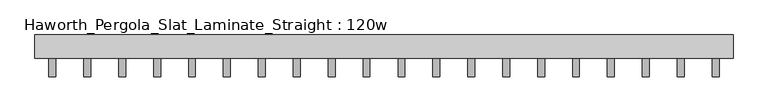
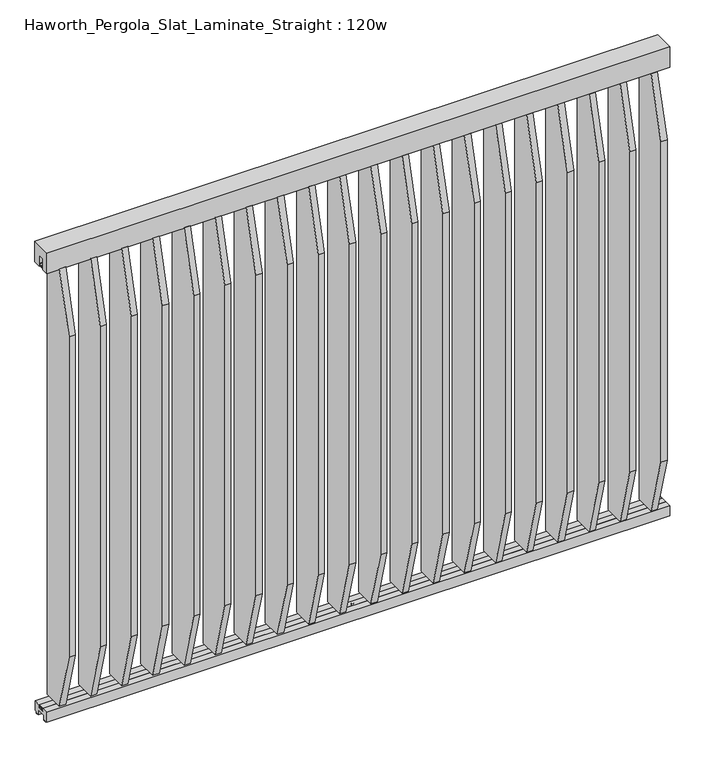
"""IFC4 building model written with IfcOpenShell, lengths in millimetres: furniture geometry, Haworth_Pergola_Slat_Laminate_Straight : 120w."""

from ifc_helpers import new_model, si_unit, point, frame, frame_2d, origin, place, context, project, spatial, polyline, circle_curve, trimmed, segment, composite_curve, outline, extrude, source, transform, mapped, element, save


def haworth_pergola_slat_laminate_straight_120w_fa1b09b0(model_context):
    return source(origin(), model_context, "Body", "SweptSolid", [
        extrude(outline(polyline([(-50.8, 2438.4), (50.8, 2438.4), (50.8, 2331.8390625), (15.2182948, 2331.8390625), (15.2182948, 2388.7001663), (-15.2182948, 2388.7001663), (-15.2182948, 2331.8390625), (-50.8, 2331.8390625), (-50.8, 2438.4)])), frame((-1485.9, 0.0, 0.0), z_axis=(1.0, 0.0, 0.0), x_axis=(0.0, 1.0, 0.0)), (0.0, 0.0, 1.0), 3048.0),
        extrude(outline(polyline([(-132.3000005, 2029.2110459), (-50.7895063, 2332.1001645), (50.8000016, 2332.1001645), (50.8000016, 68.7220395), (-50.7894893, 68.7220395), (-132.3000005, 371.6110975), (-132.3000005, 2029.2110459)])), frame((1318.5000003, 0.0, 0.0), z_axis=(1.0, 0.0, 0.0), x_axis=(0.0, 1.0, 0.0)), (0.0, 0.0, 1.0), 29.9999997),
        extrude(outline(composite_curve([segment(trimmed(circle_curve(frame_2d((1333.5000001, 1e-07)), 6.0), [point((1327.5000001, 1e-07))], [point((1339.5000001, 1e-07))], False, "CARTESIAN"), True, "CONTINUOUS"), segment(trimmed(circle_curve(frame_2d((1333.5000001, 1e-07)), 6.0), [point((1339.5000001, 1e-07))], [point((1327.5000001, 1e-07))], False, "CARTESIAN"), True, "CONTINUOUS")], self_intersect=False)), frame((0.0, 0.0, 2332.1001645), z_axis=(0.0, 0.0, 1.0), x_axis=(1.0, 0.0, 0.0)), (0.0, 0.0, 1.0), 4.9609375),
        extrude(outline(composite_curve([segment(trimmed(circle_curve(frame_2d((1333.5000001, 1e-07)), 6.0), [point((1327.5000001, 1e-07))], [point((1339.5000001, 1e-07))], False, "CARTESIAN"), True, "CONTINUOUS"), segment(trimmed(circle_curve(frame_2d((1333.5000001, 1e-07)), 6.0), [point((1339.5000001, 1e-07))], [point((1327.5000001, 1e-07))], False, "CARTESIAN"), True, "CONTINUOUS")], self_intersect=False)), frame((0.0, 0.0, 63.761102), z_axis=(0.0, 0.0, 1.0), x_axis=(1.0, 0.0, 0.0)), (0.0, 0.0, 1.0), 4.9609375),
        extrude(outline(polyline([(-132.3000005, 2029.4721479), (-50.7895063, 2332.3612664), (50.8000016, 2332.3612664), (50.8000016, 68.9831414), (-50.7894893, 68.9831414), (-132.3000005, 371.8721995), (-132.3000005, 2029.4721479)])), frame((1166.1000003, 0.0, 0.0), z_axis=(1.0, 0.0, 0.0), x_axis=(0.0, 1.0, 0.0)), (0.0, 0.0, 1.0), 29.9999997),
        extrude(outline(composite_curve([segment(trimmed(circle_curve(frame_2d((1181.1000001, 1e-07)), 6.0), [point((1175.1000001, 1e-07))], [point((1187.1000001, 1e-07))], False, "CARTESIAN"), True, "CONTINUOUS"), segment(trimmed(circle_curve(frame_2d((1181.1000001, 1e-07)), 6.0), [point((1187.1000001, 1e-07))], [point((1175.1000001, 1e-07))], False, "CARTESIAN"), True, "CONTINUOUS")], self_intersect=False)), frame((0.0, 0.0, 2332.3612664), z_axis=(0.0, 0.0, 1.0), x_axis=(1.0, 0.0, 0.0)), (0.0, 0.0, 1.0), 4.9609375),
        extrude(outline(composite_curve([segment(trimmed(circle_curve(frame_2d((1181.1000001, 1e-07)), 6.0), [point((1175.1000001, 1e-07))], [point((1187.1000001, 1e-07))], False, "CARTESIAN"), True, "CONTINUOUS"), segment(trimmed(circle_curve(frame_2d((1181.1000001, 1e-07)), 6.0), [point((1187.1000001, 1e-07))], [point((1175.1000001, 1e-07))], False, "CARTESIAN"), True, "CONTINUOUS")], self_intersect=False)), frame((0.0, 0.0, 64.0222039), z_axis=(0.0, 0.0, 1.0), x_axis=(1.0, 0.0, 0.0)), (0.0, 0.0, 1.0), 4.9609375),
        extrude(outline(polyline([(-132.3000005, 2029.7332498), (-50.7895063, 2332.6223684), (50.8000016, 2332.6223684), (50.8000016, 69.2442434), (-50.7894893, 69.2442434), (-132.3000005, 372.1333014), (-132.3000005, 2029.7332498)])), frame((1013.7000003, 0.0, 0.0), z_axis=(1.0, 0.0, 0.0), x_axis=(0.0, 1.0, 0.0)), (0.0, 0.0, 1.0), 29.9999997),
        extrude(outline(composite_curve([segment(trimmed(circle_curve(frame_2d((1028.7000001, 1e-07)), 6.0), [point((1022.7000001, 1e-07))], [point((1034.7000001, 1e-07))], False, "CARTESIAN"), True, "CONTINUOUS"), segment(trimmed(circle_curve(frame_2d((1028.7000001, 1e-07)), 6.0), [point((1034.7000001, 1e-07))], [point((1022.7000001, 1e-07))], False, "CARTESIAN"), True, "CONTINUOUS")], self_intersect=False)), frame((0.0, 0.0, 2332.6223684), z_axis=(0.0, 0.0, 1.0), x_axis=(1.0, 0.0, 0.0)), (0.0, 0.0, 1.0), 4.9609375),
        extrude(outline(composite_curve([segment(trimmed(circle_curve(frame_2d((1028.7000001, 1e-07)), 6.0), [point((1022.7000001, 1e-07))], [point((1034.7000001, 1e-07))], False, "CARTESIAN"), True, "CONTINUOUS"), segment(trimmed(circle_curve(frame_2d((1028.7000001, 1e-07)), 6.0), [point((1034.7000001, 1e-07))], [point((1022.7000001, 1e-07))], False, "CARTESIAN"), True, "CONTINUOUS")], self_intersect=False)), frame((0.0, 0.0, 64.2833059), z_axis=(0.0, 0.0, 1.0), x_axis=(1.0, 0.0, 0.0)), (0.0, 0.0, 1.0), 4.9609375),
        extrude(outline(polyline([(-132.3000005, 2029.9943518), (-50.7895063, 2332.8834704), (50.8000016, 2332.8834704), (50.8000016, 69.5053454), (-50.7894893, 69.5053454), (-132.3000005, 372.3944034), (-132.3000005, 2029.9943518)])), frame((861.3000003, 0.0, 0.0), z_axis=(1.0, 0.0, 0.0), x_axis=(0.0, 1.0, 0.0)), (0.0, 0.0, 1.0), 29.9999997),
        extrude(outline(composite_curve([segment(trimmed(circle_curve(frame_2d((876.3000001, 1e-07)), 6.0), [point((870.3000001, 1e-07))], [point((882.3000001, 1e-07))], False, "CARTESIAN"), True, "CONTINUOUS"), segment(trimmed(circle_curve(frame_2d((876.3000001, 1e-07)), 6.0), [point((882.3000001, 1e-07))], [point((870.3000001, 1e-07))], False, "CARTESIAN"), True, "CONTINUOUS")], self_intersect=False)), frame((0.0, 0.0, 2332.8834704), z_axis=(0.0, 0.0, 1.0), x_axis=(1.0, 0.0, 0.0)), (0.0, 0.0, 1.0), 4.9609375),
        extrude(outline(composite_curve([segment(trimmed(circle_curve(frame_2d((876.3000001, 1e-07)), 6.0), [point((870.3000001, 1e-07))], [point((882.3000001, 1e-07))], False, "CARTESIAN"), True, "CONTINUOUS"), segment(trimmed(circle_curve(frame_2d((876.3000001, 1e-07)), 6.0), [point((882.3000001, 1e-07))], [point((870.3000001, 1e-07))], False, "CARTESIAN"), True, "CONTINUOUS")], self_intersect=False)), frame((0.0, 0.0, 64.5444079), z_axis=(0.0, 0.0, 1.0), x_axis=(1.0, 0.0, 0.0)), (0.0, 0.0, 1.0), 4.9609375),
        extrude(outline(polyline([(-132.3000005, 2030.2554538), (-50.7895063, 2333.1445724), (50.8000016, 2333.1445724), (50.8000016, 69.7664474), (-50.7894893, 69.7664474), (-132.3000005, 372.6555054), (-132.3000005, 2030.2554538)])), frame((708.9000003, 0.0, 0.0), z_axis=(1.0, 0.0, 0.0), x_axis=(0.0, 1.0, 0.0)), (0.0, 0.0, 1.0), 29.9999997),
        extrude(outline(composite_curve([segment(trimmed(circle_curve(frame_2d((723.9000001, 1e-07)), 6.0), [point((717.9000001, 1e-07))], [point((729.9000001, 1e-07))], False, "CARTESIAN"), True, "CONTINUOUS"), segment(trimmed(circle_curve(frame_2d((723.9000001, 1e-07)), 6.0), [point((729.9000001, 1e-07))], [point((717.9000001, 1e-07))], False, "CARTESIAN"), True, "CONTINUOUS")], self_intersect=False)), frame((0.0, 0.0, 2333.1445724), z_axis=(0.0, 0.0, 1.0), x_axis=(1.0, 0.0, 0.0)), (0.0, 0.0, 1.0), 4.9609375),
        extrude(outline(composite_curve([segment(trimmed(circle_curve(frame_2d((723.9000001, 1e-07)), 6.0), [point((717.9000001, 1e-07))], [point((729.9000001, 1e-07))], False, "CARTESIAN"), True, "CONTINUOUS"), segment(trimmed(circle_curve(frame_2d((723.9000001, 1e-07)), 6.0), [point((729.9000001, 1e-07))], [point((717.9000001, 1e-07))], False, "CARTESIAN"), True, "CONTINUOUS")], self_intersect=False)), frame((0.0, 0.0, 64.8055099), z_axis=(0.0, 0.0, 1.0), x_axis=(1.0, 0.0, 0.0)), (0.0, 0.0, 1.0), 4.9609375),
        extrude(outline(polyline([(-132.3000005, 2030.5165558), (-50.7895063, 2333.4056743), (50.8000016, 2333.4056743), (50.8000016, 70.0275493), (-50.7894893, 70.0275493), (-132.3000005, 372.9166074), (-132.3000005, 2030.5165558)])), frame((556.5000003, 0.0, 0.0), z_axis=(1.0, 0.0, 0.0), x_axis=(0.0, 1.0, 0.0)), (0.0, 0.0, 1.0), 29.9999997),
        extrude(outline(composite_curve([segment(trimmed(circle_curve(frame_2d((571.5000001, 1e-07)), 6.0), [point((565.5000001, 1e-07))], [point((577.5000001, 1e-07))], False, "CARTESIAN"), True, "CONTINUOUS"), segment(trimmed(circle_curve(frame_2d((571.5000001, 1e-07)), 6.0), [point((577.5000001, 1e-07))], [point((565.5000001, 1e-07))], False, "CARTESIAN"), True, "CONTINUOUS")], self_intersect=False)), frame((0.0, 0.0, 2333.4056743), z_axis=(0.0, 0.0, 1.0), x_axis=(1.0, 0.0, 0.0)), (0.0, 0.0, 1.0), 4.9609375),
        extrude(outline(composite_curve([segment(trimmed(circle_curve(frame_2d((571.5000001, 1e-07)), 6.0), [point((565.5000001, 1e-07))], [point((577.5000001, 1e-07))], False, "CARTESIAN"), True, "CONTINUOUS"), segment(trimmed(circle_curve(frame_2d((571.5000001, 1e-07)), 6.0), [point((577.5000001, 1e-07))], [point((565.5000001, 1e-07))], False, "CARTESIAN"), True, "CONTINUOUS")], self_intersect=False)), frame((0.0, 0.0, 65.0666118), z_axis=(0.0, 0.0, 1.0), x_axis=(1.0, 0.0, 0.0)), (0.0, 0.0, 1.0), 4.9609375),
        extrude(outline(polyline([(-132.3000005, 2030.7776577), (-50.7895063, 2333.6667763), (50.8000016, 2333.6667763), (50.8000016, 70.2886513), (-50.7894893, 70.2886513), (-132.3000005, 373.1777093), (-132.3000005, 2030.7776577)])), frame((404.1000003, 0.0, 0.0), z_axis=(1.0, 0.0, 0.0), x_axis=(0.0, 1.0, 0.0)), (0.0, 0.0, 1.0), 29.9999997),
        extrude(outline(composite_curve([segment(trimmed(circle_curve(frame_2d((419.1000001, 1e-07)), 6.0), [point((413.1000001, 1e-07))], [point((425.1000001, 1e-07))], False, "CARTESIAN"), True, "CONTINUOUS"), segment(trimmed(circle_curve(frame_2d((419.1000001, 1e-07)), 6.0), [point((425.1000001, 1e-07))], [point((413.1000001, 1e-07))], False, "CARTESIAN"), True, "CONTINUOUS")], self_intersect=False)), frame((0.0, 0.0, 2333.6667763), z_axis=(0.0, 0.0, 1.0), x_axis=(1.0, 0.0, 0.0)), (0.0, 0.0, 1.0), 4.9609375),
        extrude(outline(composite_curve([segment(trimmed(circle_curve(frame_2d((419.1000001, 1e-07)), 6.0), [point((413.1000001, 1e-07))], [point((425.1000001, 1e-07))], False, "CARTESIAN"), True, "CONTINUOUS"), segment(trimmed(circle_curve(frame_2d((419.1000001, 1e-07)), 6.0), [point((425.1000001, 1e-07))], [point((413.1000001, 1e-07))], False, "CARTESIAN"), True, "CONTINUOUS")], self_intersect=False)), frame((0.0, 0.0, 65.3277138), z_axis=(0.0, 0.0, 1.0), x_axis=(1.0, 0.0, 0.0)), (0.0, 0.0, 1.0), 4.9609375),
        extrude(outline(polyline([(-132.3000005, 2031.0387597), (-50.7895063, 2333.9278783), (50.8000016, 2333.9278783), (50.8000016, 70.5497533), (-50.7894893, 70.5497533), (-132.3000005, 373.4388113), (-132.3000005, 2031.0387597)])), frame((251.7000003, 0.0, 0.0), z_axis=(1.0, 0.0, 0.0), x_axis=(0.0, 1.0, 0.0)), (0.0, 0.0, 1.0), 29.9999997),
        extrude(outline(composite_curve([segment(trimmed(circle_curve(frame_2d((266.7000001, 1e-07)), 6.0), [point((260.7000001, 1e-07))], [point((272.7000001, 1e-07))], False, "CARTESIAN"), True, "CONTINUOUS"), segment(trimmed(circle_curve(frame_2d((266.7000001, 1e-07)), 6.0), [point((272.7000001, 1e-07))], [point((260.7000001, 1e-07))], False, "CARTESIAN"), True, "CONTINUOUS")], self_intersect=False)), frame((0.0, 0.0, 2333.9278783), z_axis=(0.0, 0.0, 1.0), x_axis=(1.0, 0.0, 0.0)), (0.0, 0.0, 1.0), 4.9609375),
        extrude(outline(composite_curve([segment(trimmed(circle_curve(frame_2d((266.7000001, 1e-07)), 6.0), [point((260.7000001, 1e-07))], [point((272.7000001, 1e-07))], False, "CARTESIAN"), True, "CONTINUOUS"), segment(trimmed(circle_curve(frame_2d((266.7000001, 1e-07)), 6.0), [point((272.7000001, 1e-07))], [point((260.7000001, 1e-07))], False, "CARTESIAN"), True, "CONTINUOUS")], self_intersect=False)), frame((0.0, 0.0, 65.5888158), z_axis=(0.0, 0.0, 1.0), x_axis=(1.0, 0.0, 0.0)), (0.0, 0.0, 1.0), 4.9609375),
        extrude(outline(polyline([(-132.3000005, 2031.2998617), (-50.7895063, 2334.1889803), (50.8000016, 2334.1889803), (50.8000016, 70.8108553), (-50.7894893, 70.8108553), (-132.3000005, 373.6999133), (-132.3000005, 2031.2998617)])), frame((99.3000003, 0.0, 0.0), z_axis=(1.0, 0.0, 0.0), x_axis=(0.0, 1.0, 0.0)), (0.0, 0.0, 1.0), 29.9999997),
        extrude(outline(composite_curve([segment(trimmed(circle_curve(frame_2d((114.3000001, 1e-07)), 6.0), [point((108.3000001, 1e-07))], [point((120.3000001, 1e-07))], False, "CARTESIAN"), True, "CONTINUOUS"), segment(trimmed(circle_curve(frame_2d((114.3000001, 1e-07)), 6.0), [point((120.3000001, 1e-07))], [point((108.3000001, 1e-07))], False, "CARTESIAN"), True, "CONTINUOUS")], self_intersect=False)), frame((0.0, 0.0, 2334.1889803), z_axis=(0.0, 0.0, 1.0), x_axis=(1.0, 0.0, 0.0)), (0.0, 0.0, 1.0), 4.9609375),
        extrude(outline(composite_curve([segment(trimmed(circle_curve(frame_2d((114.3000001, 1e-07)), 6.0), [point((108.3000001, 1e-07))], [point((120.3000001, 1e-07))], False, "CARTESIAN"), True, "CONTINUOUS"), segment(trimmed(circle_curve(frame_2d((114.3000001, 1e-07)), 6.0), [point((120.3000001, 1e-07))], [point((108.3000001, 1e-07))], False, "CARTESIAN"), True, "CONTINUOUS")], self_intersect=False)), frame((0.0, 0.0, 65.8499178), z_axis=(0.0, 0.0, 1.0), x_axis=(1.0, 0.0, 0.0)), (0.0, 0.0, 1.0), 4.9609375),
        extrude(outline(polyline([(-132.3000005, 2031.5609637), (-50.7895063, 2334.4500822), (50.8000016, 2334.4500822), (50.8000016, 71.0719572), (-50.7894893, 71.0719572), (-132.3000005, 373.9610153), (-132.3000005, 2031.5609637)])), frame((-53.0999997, 0.0, 0.0), z_axis=(1.0, 0.0, 0.0), x_axis=(0.0, 1.0, 0.0)), (0.0, 0.0, 1.0), 29.9999997),
        extrude(outline(composite_curve([segment(trimmed(circle_curve(frame_2d((-38.0999999, 1e-07)), 6.0), [point((-44.0999999, 1e-07))], [point((-32.0999999, 1e-07))], False, "CARTESIAN"), True, "CONTINUOUS"), segment(trimmed(circle_curve(frame_2d((-38.0999999, 1e-07)), 6.0), [point((-32.0999999, 1e-07))], [point((-44.0999999, 1e-07))], False, "CARTESIAN"), True, "CONTINUOUS")], self_intersect=False)), frame((0.0, 0.0, 2334.4500822), z_axis=(0.0, 0.0, 1.0), x_axis=(1.0, 0.0, 0.0)), (0.0, 0.0, 1.0), 4.9609375),
        extrude(outline(composite_curve([segment(trimmed(circle_curve(frame_2d((-38.0999999, 1e-07)), 6.0), [point((-44.0999999, 1e-07))], [point((-32.0999999, 1e-07))], False, "CARTESIAN"), True, "CONTINUOUS"), segment(trimmed(circle_curve(frame_2d((-38.0999999, 1e-07)), 6.0), [point((-32.0999999, 1e-07))], [point((-44.0999999, 1e-07))], False, "CARTESIAN"), True, "CONTINUOUS")], self_intersect=False)), frame((0.0, 0.0, 66.1110197), z_axis=(0.0, 0.0, 1.0), x_axis=(1.0, 0.0, 0.0)), (0.0, 0.0, 1.0), 4.9609375),
        extrude(outline(polyline([(-132.3000005, 2031.8220656), (-50.7895063, 2334.7111842), (50.8000016, 2334.7111842), (50.8000016, 71.3330592), (-50.7894893, 71.3330592), (-132.3000005, 374.2221172), (-132.3000005, 2031.8220656)])), frame((-205.4999997, 0.0, 0.0), z_axis=(1.0, 0.0, 0.0), x_axis=(0.0, 1.0, 0.0)), (0.0, 0.0, 1.0), 29.9999997),
        extrude(outline(composite_curve([segment(trimmed(circle_curve(frame_2d((-190.4999999, 1e-07)), 6.0), [point((-196.4999999, 1e-07))], [point((-184.4999999, 1e-07))], False, "CARTESIAN"), True, "CONTINUOUS"), segment(trimmed(circle_curve(frame_2d((-190.4999999, 1e-07)), 6.0), [point((-184.4999999, 1e-07))], [point((-196.4999999, 1e-07))], False, "CARTESIAN"), True, "CONTINUOUS")], self_intersect=False)), frame((0.0, 0.0, 2334.7111842), z_axis=(0.0, 0.0, 1.0), x_axis=(1.0, 0.0, 0.0)), (0.0, 0.0, 1.0), 4.9609375),
        extrude(outline(composite_curve([segment(trimmed(circle_curve(frame_2d((-190.4999999, 1e-07)), 6.0), [point((-196.4999999, 1e-07))], [point((-184.4999999, 1e-07))], False, "CARTESIAN"), True, "CONTINUOUS"), segment(trimmed(circle_curve(frame_2d((-190.4999999, 1e-07)), 6.0), [point((-184.4999999, 1e-07))], [point((-196.4999999, 1e-07))], False, "CARTESIAN"), True, "CONTINUOUS")], self_intersect=False)), frame((0.0, 0.0, 66.3721217), z_axis=(0.0, 0.0, 1.0), x_axis=(1.0, 0.0, 0.0)), (0.0, 0.0, 1.0), 4.9609375),
        extrude(outline(polyline([(-132.3000005, 2032.0831676), (-50.7895063, 2334.9722862), (50.8000016, 2334.9722862), (50.8000016, 71.5941612), (-50.7894893, 71.5941612), (-132.3000005, 374.4832192), (-132.3000005, 2032.0831676)])), frame((-357.8999997, 0.0, 0.0), z_axis=(1.0, 0.0, 0.0), x_axis=(0.0, 1.0, 0.0)), (0.0, 0.0, 1.0), 29.9999997),
        extrude(outline(composite_curve([segment(trimmed(circle_curve(frame_2d((-342.8999999, 1e-07)), 6.0), [point((-348.8999999, 1e-07))], [point((-336.8999999, 1e-07))], False, "CARTESIAN"), True, "CONTINUOUS"), segment(trimmed(circle_curve(frame_2d((-342.8999999, 1e-07)), 6.0), [point((-336.8999999, 1e-07))], [point((-348.8999999, 1e-07))], False, "CARTESIAN"), True, "CONTINUOUS")], self_intersect=False)), frame((0.0, 0.0, 2334.9722862), z_axis=(0.0, 0.0, 1.0), x_axis=(1.0, 0.0, 0.0)), (0.0, 0.0, 1.0), 4.9609375),
        extrude(outline(composite_curve([segment(trimmed(circle_curve(frame_2d((-342.8999999, 1e-07)), 6.0), [point((-348.8999999, 1e-07))], [point((-336.8999999, 1e-07))], False, "CARTESIAN"), True, "CONTINUOUS"), segment(trimmed(circle_curve(frame_2d((-342.8999999, 1e-07)), 6.0), [point((-336.8999999, 1e-07))], [point((-348.8999999, 1e-07))], False, "CARTESIAN"), True, "CONTINUOUS")], self_intersect=False)), frame((0.0, 0.0, 66.6332237), z_axis=(0.0, 0.0, 1.0), x_axis=(1.0, 0.0, 0.0)), (0.0, 0.0, 1.0), 4.9609375),
        extrude(outline(polyline([(-132.3000005, 2032.3442696), (-50.7895063, 2335.2333882), (50.8000016, 2335.2333882), (50.8000016, 71.8552632), (-50.7894893, 71.8552632), (-132.3000005, 374.7443212), (-132.3000005, 2032.3442696)])), frame((-510.2999997, 0.0, 0.0), z_axis=(1.0, 0.0, 0.0), x_axis=(0.0, 1.0, 0.0)), (0.0, 0.0, 1.0), 29.9999997),
        extrude(outline(composite_curve([segment(trimmed(circle_curve(frame_2d((-495.2999999, 1e-07)), 6.0), [point((-501.2999999, 1e-07))], [point((-489.2999999, 1e-07))], False, "CARTESIAN"), True, "CONTINUOUS"), segment(trimmed(circle_curve(frame_2d((-495.2999999, 1e-07)), 6.0), [point((-489.2999999, 1e-07))], [point((-501.2999999, 1e-07))], False, "CARTESIAN"), True, "CONTINUOUS")], self_intersect=False)), frame((0.0, 0.0, 2335.2333882), z_axis=(0.0, 0.0, 1.0), x_axis=(1.0, 0.0, 0.0)), (0.0, 0.0, 1.0), 4.9609375),
        extrude(outline(composite_curve([segment(trimmed(circle_curve(frame_2d((-495.2999999, 1e-07)), 6.0), [point((-501.2999999, 1e-07))], [point((-489.2999999, 1e-07))], False, "CARTESIAN"), True, "CONTINUOUS"), segment(trimmed(circle_curve(frame_2d((-495.2999999, 1e-07)), 6.0), [point((-489.2999999, 1e-07))], [point((-501.2999999, 1e-07))], False, "CARTESIAN"), True, "CONTINUOUS")], self_intersect=False)), frame((0.0, 0.0, 66.8943257), z_axis=(0.0, 0.0, 1.0), x_axis=(1.0, 0.0, 0.0)), (0.0, 0.0, 1.0), 4.9609375),
        extrude(outline(polyline([(-132.3000005, 2032.6053716), (-50.7895063, 2335.4944901), (50.8000016, 2335.4944901), (50.8000016, 72.1163651), (-50.7894893, 72.1163651), (-132.3000005, 375.0054231), (-132.3000005, 2032.6053716)])), frame((-662.6999997, 0.0, 0.0), z_axis=(1.0, 0.0, 0.0), x_axis=(0.0, 1.0, 0.0)), (0.0, 0.0, 1.0), 29.9999997),
        extrude(outline(composite_curve([segment(trimmed(circle_curve(frame_2d((-647.6999999, 1e-07)), 6.0), [point((-653.6999999, 1e-07))], [point((-641.6999999, 1e-07))], False, "CARTESIAN"), True, "CONTINUOUS"), segment(trimmed(circle_curve(frame_2d((-647.6999999, 1e-07)), 6.0), [point((-641.6999999, 1e-07))], [point((-653.6999999, 1e-07))], False, "CARTESIAN"), True, "CONTINUOUS")], self_intersect=False)), frame((0.0, 0.0, 2335.4944901), z_axis=(0.0, 0.0, 1.0), x_axis=(1.0, 0.0, 0.0)), (0.0, 0.0, 1.0), 4.9609375),
        extrude(outline(composite_curve([segment(trimmed(circle_curve(frame_2d((-647.6999999, 1e-07)), 6.0), [point((-653.6999999, 1e-07))], [point((-641.6999999, 1e-07))], False, "CARTESIAN"), True, "CONTINUOUS"), segment(trimmed(circle_curve(frame_2d((-647.6999999, 1e-07)), 6.0), [point((-641.6999999, 1e-07))], [point((-653.6999999, 1e-07))], False, "CARTESIAN"), True, "CONTINUOUS")], self_intersect=False)), frame((0.0, 0.0, 67.1554276), z_axis=(0.0, 0.0, 1.0), x_axis=(1.0, 0.0, 0.0)), (0.0, 0.0, 1.0), 4.9609375),
        extrude(outline(polyline([(-132.3000005, 2032.8664735), (-50.7895063, 2335.7555921), (50.8000016, 2335.7555921), (50.8000016, 72.3774671), (-50.7894893, 72.3774671), (-132.3000005, 375.2665251), (-132.3000005, 2032.8664735)])), frame((-815.0999997, 0.0, 0.0), z_axis=(1.0, 0.0, 0.0), x_axis=(0.0, 1.0, 0.0)), (0.0, 0.0, 1.0), 29.9999997),
        extrude(outline(composite_curve([segment(trimmed(circle_curve(frame_2d((-800.0999999, 1e-07)), 6.0), [point((-806.0999999, 1e-07))], [point((-794.0999999, 1e-07))], False, "CARTESIAN"), True, "CONTINUOUS"), segment(trimmed(circle_curve(frame_2d((-800.0999999, 1e-07)), 6.0), [point((-794.0999999, 1e-07))], [point((-806.0999999, 1e-07))], False, "CARTESIAN"), True, "CONTINUOUS")], self_intersect=False)), frame((0.0, 0.0, 2335.7555921), z_axis=(0.0, 0.0, 1.0), x_axis=(1.0, 0.0, 0.0)), (0.0, 0.0, 1.0), 4.9609375),
        extrude(outline(composite_curve([segment(trimmed(circle_curve(frame_2d((-800.0999999, 1e-07)), 6.0), [point((-806.0999999, 1e-07))], [point((-794.0999999, 1e-07))], False, "CARTESIAN"), True, "CONTINUOUS"), segment(trimmed(circle_curve(frame_2d((-800.0999999, 1e-07)), 6.0), [point((-794.0999999, 1e-07))], [point((-806.0999999, 1e-07))], False, "CARTESIAN"), True, "CONTINUOUS")], self_intersect=False)), frame((0.0, 0.0, 67.4165296), z_axis=(0.0, 0.0, 1.0), x_axis=(1.0, 0.0, 0.0)), (0.0, 0.0, 1.0), 4.9609375),
        extrude(outline(polyline([(-132.3000005, 2033.1275755), (-50.7895063, 2336.0166941), (50.8000016, 2336.0166941), (50.8000016, 72.6385691), (-50.7894893, 72.6385691), (-132.3000005, 375.5276271), (-132.3000005, 2033.1275755)])), frame((-967.4999997, 0.0, 0.0), z_axis=(1.0, 0.0, 0.0), x_axis=(0.0, 1.0, 0.0)), (0.0, 0.0, 1.0), 29.9999997),
        extrude(outline(composite_curve([segment(trimmed(circle_curve(frame_2d((-952.4999999, 1e-07)), 6.0), [point((-958.4999999, 1e-07))], [point((-946.4999999, 1e-07))], False, "CARTESIAN"), True, "CONTINUOUS"), segment(trimmed(circle_curve(frame_2d((-952.4999999, 1e-07)), 6.0), [point((-946.4999999, 1e-07))], [point((-958.4999999, 1e-07))], False, "CARTESIAN"), True, "CONTINUOUS")], self_intersect=False)), frame((0.0, 0.0, 2336.0166941), z_axis=(0.0, 0.0, 1.0), x_axis=(1.0, 0.0, 0.0)), (0.0, 0.0, 1.0), 4.9609375),
        extrude(outline(composite_curve([segment(trimmed(circle_curve(frame_2d((-952.4999999, 1e-07)), 6.0), [point((-958.4999999, 1e-07))], [point((-946.4999999, 1e-07))], False, "CARTESIAN"), True, "CONTINUOUS"), segment(trimmed(circle_curve(frame_2d((-952.4999999, 1e-07)), 6.0), [point((-946.4999999, 1e-07))], [point((-958.4999999, 1e-07))], False, "CARTESIAN"), True, "CONTINUOUS")], self_intersect=False)), frame((0.0, 0.0, 67.6776316), z_axis=(0.0, 0.0, 1.0), x_axis=(1.0, 0.0, 0.0)), (0.0, 0.0, 1.0), 4.9609375),
        extrude(outline(polyline([(-132.3000005, 2033.3886775), (-50.7895063, 2336.2777961), (50.8000016, 2336.2777961), (50.8000016, 72.8996711), (-50.7894893, 72.8996711), (-132.3000005, 375.7887291), (-132.3000005, 2033.3886775)])), frame((-1119.8999997, 0.0, 0.0), z_axis=(1.0, 0.0, 0.0), x_axis=(0.0, 1.0, 0.0)), (0.0, 0.0, 1.0), 29.9999997),
        extrude(outline(composite_curve([segment(trimmed(circle_curve(frame_2d((-1104.8999999, 1e-07)), 6.0), [point((-1110.8999999, 1e-07))], [point((-1098.8999999, 1e-07))], False, "CARTESIAN"), True, "CONTINUOUS"), segment(trimmed(circle_curve(frame_2d((-1104.8999999, 1e-07)), 6.0), [point((-1098.8999999, 1e-07))], [point((-1110.8999999, 1e-07))], False, "CARTESIAN"), True, "CONTINUOUS")], self_intersect=False)), frame((0.0, 0.0, 2336.2777961), z_axis=(0.0, 0.0, 1.0), x_axis=(1.0, 0.0, 0.0)), (0.0, 0.0, 1.0), 4.9609375),
        extrude(outline(composite_curve([segment(trimmed(circle_curve(frame_2d((-1104.8999999, 1e-07)), 6.0), [point((-1110.8999999, 1e-07))], [point((-1098.8999999, 1e-07))], False, "CARTESIAN"), True, "CONTINUOUS"), segment(trimmed(circle_curve(frame_2d((-1104.8999999, 1e-07)), 6.0), [point((-1098.8999999, 1e-07))], [point((-1110.8999999, 1e-07))], False, "CARTESIAN"), True, "CONTINUOUS")], self_intersect=False)), frame((0.0, 0.0, 67.9387336), z_axis=(0.0, 0.0, 1.0), x_axis=(1.0, 0.0, 0.0)), (0.0, 0.0, 1.0), 4.9609375),
        extrude(outline(polyline([(-132.3000005, 2033.6497795), (-50.7895063, 2336.538898), (50.8000016, 2336.538898), (50.8000016, 73.160773), (-50.7894893, 73.160773), (-132.3000005, 376.049831), (-132.3000005, 2033.6497795)])), frame((-1272.2999997, 0.0, 0.0), z_axis=(1.0, 0.0, 0.0), x_axis=(0.0, 1.0, 0.0)), (0.0, 0.0, 1.0), 29.9999997),
        extrude(outline(composite_curve([segment(trimmed(circle_curve(frame_2d((-1257.2999999, 1e-07)), 6.0), [point((-1263.2999999, 1e-07))], [point((-1251.2999999, 1e-07))], False, "CARTESIAN"), True, "CONTINUOUS"), segment(trimmed(circle_curve(frame_2d((-1257.2999999, 1e-07)), 6.0), [point((-1251.2999999, 1e-07))], [point((-1263.2999999, 1e-07))], False, "CARTESIAN"), True, "CONTINUOUS")], self_intersect=False)), frame((0.0, 0.0, 2336.538898), z_axis=(0.0, 0.0, 1.0), x_axis=(1.0, 0.0, 0.0)), (0.0, 0.0, 1.0), 4.9609375),
        extrude(outline(composite_curve([segment(trimmed(circle_curve(frame_2d((-1257.2999999, 1e-07)), 6.0), [point((-1263.2999999, 1e-07))], [point((-1251.2999999, 1e-07))], False, "CARTESIAN"), True, "CONTINUOUS"), segment(trimmed(circle_curve(frame_2d((-1257.2999999, 1e-07)), 6.0), [point((-1251.2999999, 1e-07))], [point((-1263.2999999, 1e-07))], False, "CARTESIAN"), True, "CONTINUOUS")], self_intersect=False)), frame((0.0, 0.0, 68.1998355), z_axis=(0.0, 0.0, 1.0), x_axis=(1.0, 0.0, 0.0)), (0.0, 0.0, 1.0), 4.9609375),
        extrude(outline(polyline([(-132.3000005, 2028.9499439), (-50.7895063, 2331.8390625), (50.8000016, 2331.8390625), (50.8000016, 68.4609375), (-50.7894893, 68.4609375), (-132.3000005, 371.3499955), (-132.3000005, 2028.9499439)])), frame((1470.9000003, 0.0, 0.0), z_axis=(1.0, 0.0, 0.0), x_axis=(0.0, 1.0, 0.0)), (0.0, 0.0, 1.0), 29.9999997),
        extrude(outline(composite_curve([segment(trimmed(circle_curve(frame_2d((1485.9000001, 1e-07)), 6.0), [point((1479.9000001, 1e-07))], [point((1491.9000001, 1e-07))], False, "CARTESIAN"), True, "CONTINUOUS"), segment(trimmed(circle_curve(frame_2d((1485.9000001, 1e-07)), 6.0), [point((1491.9000001, 1e-07))], [point((1479.9000001, 1e-07))], False, "CARTESIAN"), True, "CONTINUOUS")], self_intersect=False)), frame((0.0, 0.0, 2331.8390625), z_axis=(0.0, 0.0, 1.0), x_axis=(1.0, 0.0, 0.0)), (0.0, 0.0, 1.0), 4.9609375),
        extrude(outline(composite_curve([segment(trimmed(circle_curve(frame_2d((1485.9000001, 1e-07)), 6.0), [point((1479.9000001, 1e-07))], [point((1491.9000001, 1e-07))], False, "CARTESIAN"), True, "CONTINUOUS"), segment(trimmed(circle_curve(frame_2d((1485.9000001, 1e-07)), 6.0), [point((1491.9000001, 1e-07))], [point((1479.9000001, 1e-07))], False, "CARTESIAN"), True, "CONTINUOUS")], self_intersect=False)), frame((0.0, 0.0, 63.5), z_axis=(0.0, 0.0, 1.0), x_axis=(1.0, 0.0, 0.0)), (0.0, 0.0, 1.0), 4.9609375),
        extrude(outline(polyline([(-132.3000005, 2033.9108814), (-50.7895063, 2336.8), (50.8000016, 2336.8), (50.8000016, 73.421875), (-50.7894893, 73.421875), (-132.3000005, 376.310933), (-132.3000005, 2033.9108814)])), frame((-1424.6999997, 0.0, 0.0), z_axis=(1.0, 0.0, 0.0), x_axis=(0.0, 1.0, 0.0)), (0.0, 0.0, 1.0), 29.9999997),
        extrude(outline(composite_curve([segment(trimmed(circle_curve(frame_2d((-1409.6999999, 1e-07)), 6.0), [point((-1415.6999999, 1e-07))], [point((-1403.6999999, 1e-07))], False, "CARTESIAN"), True, "CONTINUOUS"), segment(trimmed(circle_curve(frame_2d((-1409.6999999, 1e-07)), 6.0), [point((-1403.6999999, 1e-07))], [point((-1415.6999999, 1e-07))], False, "CARTESIAN"), True, "CONTINUOUS")], self_intersect=False)), frame((0.0, 0.0, 2336.8), z_axis=(0.0, 0.0, 1.0), x_axis=(1.0, 0.0, 0.0)), (0.0, 0.0, 1.0), 4.9609375),
        extrude(outline(composite_curve([segment(trimmed(circle_curve(frame_2d((-1409.6999999, 1e-07)), 6.0), [point((-1415.6999999, 1e-07))], [point((-1403.6999999, 1e-07))], False, "CARTESIAN"), True, "CONTINUOUS"), segment(trimmed(circle_curve(frame_2d((-1409.6999999, 1e-07)), 6.0), [point((-1403.6999999, 1e-07))], [point((-1415.6999999, 1e-07))], False, "CARTESIAN"), True, "CONTINUOUS")], self_intersect=False)), frame((0.0, 0.0, 68.4609375), z_axis=(0.0, 0.0, 1.0), x_axis=(1.0, 0.0, 0.0)), (0.0, 0.0, 1.0), 4.9609375),
        extrude(outline(polyline([(-7.8249998, 61.7499993), (-15.2249995, 61.7499993), (-15.2249995, 63.5), (15.2249996, 63.5), (15.2249996, 61.7499999), (13.3999997, 61.7499999), (13.3999997, 50.2499995), (11.8250005, 50.2499995), (11.8250005, 61.7499993), (-4.8250001, 61.7499993), (-4.8250001, 50.0999996), (-7.8249998, 50.0999996), (-7.8249998, 61.7499993)])), frame((-1485.9, 0.0, 0.0), z_axis=(1.0, 0.0, 0.0), x_axis=(0.0, 1.0, 0.0)), (0.0, 0.0, 1.0), 3048.0),
        extrude(outline(polyline([(-16.2000002, 63.5), (-16.5085717, 61.7499999), (-13.3999996, 61.7499999), (-13.3999996, 58.8973461), (-15.4000002, 59.2499999), (-15.4000002, 48.3500004), (15.4000003, 48.3500004), (15.4000003, 59.2499999), (13.3999997, 58.8973461), (13.3999997, 61.7499999), (16.5085718, 61.7499999), (16.2000003, 63.5), (50.0000004, 63.5), (50.0000004, 12.6999985), (40.9499987, 12.6999985), (38.9499981, 10.6999979), (28.9499999, 10.6999979), (28.9499999, 7.6999994), (38.9499981, 7.6999994), (38.9499981, 5.6999988), (23.7499993, 5.6999988), (23.7499993, 31.4500009), (-23.7499992, 31.4500009), (-23.7499992, 5.6999988), (-38.949998, 5.6999988), (-38.949998, 7.6999994), (-28.9499998, 7.6999994), (-28.9499998, 10.6999979), (-38.949998, 10.6999979), (-40.9499986, 12.6999985), (-50.0000003, 12.6999985), (-50.0000003, 63.5), (-16.2000002, 63.5)])), frame((-1485.9, 0.0, 0.0), z_axis=(1.0, 0.0, 0.0), x_axis=(0.0, 1.0, 0.0)), (0.0, 0.0, 1.0), 3048.0),
        extrude(outline(polyline([(7.8249999, 2338.5500385), (15.2249996, 2338.5500385), (15.2249996, 2336.8), (-15.2249995, 2336.8), (-15.2249995, 2338.5500385), (-13.3999996, 2338.5500385), (-13.3999996, 2350.0500633), (-11.8249992, 2350.0500633), (-11.8250004, 2338.5500385), (4.8250002, 2338.5500385), (4.8250002, 2350.2000542), (7.8250005, 2350.2000542), (7.8249999, 2338.5500385)])), frame((-1485.9, 0.0, 0.0), z_axis=(1.0, 0.0, 0.0), x_axis=(0.0, 1.0, 0.0)), (0.0, 0.0, 1.0), 3048.0),
        extrude(outline(composite_curve([segment(trimmed(circle_curve(frame_2d((38.1000001, 1e-07)), 6.0), [point((32.1000001, 1e-07))], [point((44.1000001, 1e-07))], False, "CARTESIAN"), True, "CONTINUOUS"), segment(trimmed(circle_curve(frame_2d((38.1000001, 1e-07)), 6.0), [point((44.1000001, 1e-07))], [point((32.1000001, 1e-07))], False, "CARTESIAN"), True, "CONTINUOUS")], self_intersect=False)), frame((0.0, 0.0, 2319.1390625), z_axis=(0.0, 0.0, 1.0), x_axis=(1.0, 0.0, 0.0)), (0.0, 0.0, 1.0), 17.6609375),
        extrude(outline(composite_curve([segment(trimmed(circle_curve(frame_2d((38.1000001, 1e-07)), 6.0), [point((32.1000001, 1e-07))], [point((44.1000001, 1e-07))], False, "CARTESIAN"), True, "CONTINUOUS"), segment(trimmed(circle_curve(frame_2d((38.1000001, 1e-07)), 6.0), [point((44.1000001, 1e-07))], [point((32.1000001, 1e-07))], False, "CARTESIAN"), True, "CONTINUOUS")], self_intersect=False)), frame((0.0, 0.0, 55.7609375), z_axis=(0.0, 0.0, 1.0), x_axis=(1.0, 0.0, 0.0)), (0.0, 0.0, 1.0), 7.7390625),
    ])


if __name__ == "__main__":
    model = new_model("IFC4")
    model_context = context("Model", 3, world=origin())
    ifc_project = project(units=[si_unit("LENGTHUNIT", "METRE", prefix="MILLI")], contexts=[model_context])
    site = spatial("IfcSite", under=ifc_project)
    building = spatial("IfcBuilding", under=site)
    placement = place(None, origin())
    haworth_pergola_slat_laminate_straight_120w_shape = haworth_pergola_slat_laminate_straight_120w_fa1b09b0(model_context)
    element("IfcFurniture", 1, ObjectType="Haworth_Pergola_Slat_Laminate_Straight : 120w", at=placement, inside=building, context=model_context, shape_type="MappedRepresentation", body=[
        mapped(haworth_pergola_slat_laminate_straight_120w_shape, transform((0.0, 0.0, 0.0), x_axis=(1.0, 0.0, 0.0), y_axis=(0.0, 1.0, 0.0), z_axis=(0.0, 0.0, 1.0))),
    ])
    save(model, "model.ifc")
